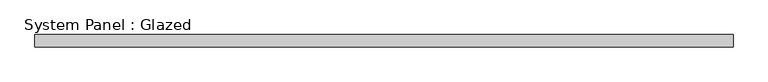
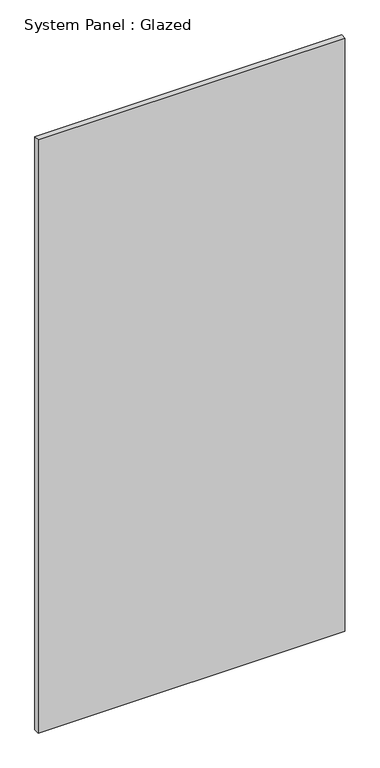
"""IFC4 building model written with IfcOpenShell, lengths in millimetres: plate geometry, System Panel : Glazed."""

from ifc_helpers import new_model, si_unit, origin, origin_with_axes, place, context, project, spatial, polyline, outline, extrude, source, transform, mapped, element, save


def system_panel_glazed_cac03683(model_context):
    return source(origin(), model_context, "Body", "SweptSolid", [
        extrude(outline(polyline([(714.3750001, 28.575), (-714.3750001, 28.575), (-714.3750001, 53.975), (714.3750001, 53.975), (714.3750001, 28.575)])), origin_with_axes(), (0.0, 0.0, 1.0), 2921.0),
    ])


if __name__ == "__main__":
    model = new_model("IFC4")
    model_context = context("Model", 3, world=origin())
    ifc_project = project(units=[si_unit("LENGTHUNIT", "METRE", prefix="MILLI")], contexts=[model_context])
    site = spatial("IfcSite", under=ifc_project)
    building = spatial("IfcBuilding", under=site)
    placement = place(None, origin())
    system_panel_glazed_shape = system_panel_glazed_cac03683(model_context)
    element("IfcPlate", 1, ObjectType="System Panel : Glazed", at=placement, inside=building, context=model_context, shape_type="MappedRepresentation", body=[
        mapped(system_panel_glazed_shape, transform((0.0, 0.0, 0.0), x_axis=(1.0, 0.0, 0.0), y_axis=(0.0, 1.0, 0.0), z_axis=(0.0, 0.0, 1.0))),
    ])
    save(model, "model.ifc")
